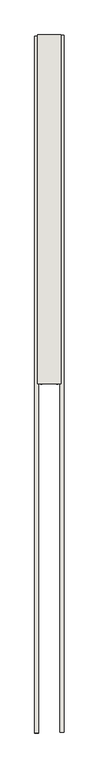
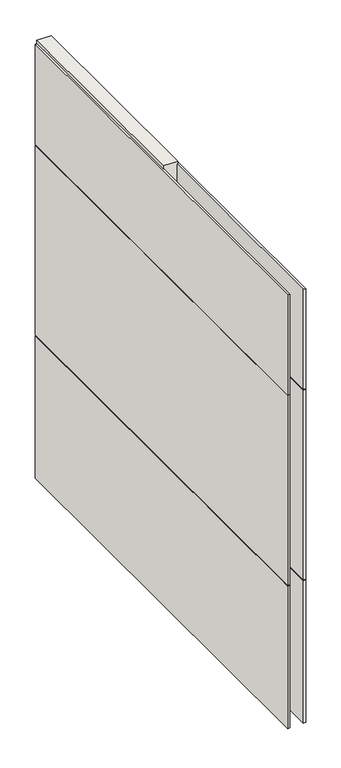
"""IFC4 building model written with IfcOpenShell, lengths in millimetres: wall geometry."""

from ifc_helpers import new_model, si_unit, frame, origin, place, context, project, spatial, polyline, outline, extrude, source, transform, mapped, element, save


def wall_bdd5aab9(model_context):
    return source(origin(), model_context, "Body", "SweptSolid", [
        extrude(outline(polyline([(69318.542211, -44756.7707352), (69318.542211, -44754.2307352), (69321.082211, -44754.2307352), (69321.082211, -44756.7707352), (69318.542211, -44756.7707352)])), frame((0.0, 0.0, 4419.6), z_axis=(0.0, 0.0, 1.0), x_axis=(1.0, 0.0, 0.0)), (0.0, 0.0, 1.0), 2.54),
        extrude(outline(polyline([(69370.612211, -44756.2334363), (69370.612211, -47181.6338433), (69357.912211, -47181.6338433), (69357.912211, -44756.2334363), (69370.612211, -44756.2334363)])), frame((0.0, 0.0, 6402.8000722), z_axis=(0.0, 0.0, 1.0), x_axis=(1.0, 0.0, 0.0)), (0.0, 0.0, 1.0), 587.2498034),
        extrude(outline(polyline([(69370.612211, -44756.2334363), (69370.612211, -47181.6338433), (69357.912211, -47181.6338433), (69357.912211, -44756.2334363), (69370.612211, -44756.2334363)])), frame((0.0, 0.0, 5285.2000722), z_axis=(0.0, 0.0, 1.0), x_axis=(1.0, 0.0, 0.0)), (0.0, 0.0, 1.0), 1113.5999572),
        extrude(outline(polyline([(69370.612211, -44756.2334363), (69370.612211, -47181.6338433), (69357.912211, -47181.6338433), (69357.912211, -44756.2334363), (69370.612211, -44756.2334363)])), frame((0.0, 0.0, 4445.0), z_axis=(0.0, 0.0, 1.0), x_axis=(1.0, 0.0, 0.0)), (0.0, 0.0, 1.0), 836.200004),
        extrude(outline(polyline([(69269.012211, -47184.0957129), (69269.012211, -44758.6953059), (69281.712211, -44758.6953059), (69281.712211, -47184.0957129), (69269.012211, -47184.0957129)])), frame((0.0, 0.0, 6402.8000722), z_axis=(0.0, 0.0, 1.0), x_axis=(1.0, 0.0, 0.0)), (0.0, 0.0, 1.0), 587.2498034),
        extrude(outline(polyline([(69269.012211, -47184.0957129), (69269.012211, -44758.6953059), (69281.712211, -44758.6953059), (69281.712211, -47184.0957129), (69269.012211, -47184.0957129)])), frame((0.0, 0.0, 5285.2000722), z_axis=(0.0, 0.0, 1.0), x_axis=(1.0, 0.0, 0.0)), (0.0, 0.0, 1.0), 1113.5999572),
        extrude(outline(polyline([(69269.012211, -47184.0957129), (69269.012211, -44758.6953059), (69281.712211, -44758.6953059), (69281.712211, -47184.0957129), (69269.012211, -47184.0957129)])), frame((0.0, 0.0, 4445.0), z_axis=(0.0, 0.0, 1.0), x_axis=(1.0, 0.0, 0.0)), (0.0, 0.0, 1.0), 836.200004),
        extrude(outline(polyline([(69344.8959556, -45968.946035), (69344.8959556, -44754.2418858), (69349.974711, -44754.2418858), (69349.974711, -45968.946035), (69344.8959556, -45968.946035)])), frame((0.0, 0.0, 4418.6602), z_axis=(0.0, 0.0, 1.0), x_axis=(1.0, 0.0, 0.0)), (0.0, 0.0, 1.0), 47.625),
        extrude(outline(polyline([(69344.8959556, -45968.946035), (69344.8959556, -44754.2418858), (69349.974711, -44754.2418858), (69349.974711, -45968.946035), (69344.8959556, -45968.946035)])), frame((0.0, 0.0, 4418.6602), z_axis=(0.0, 0.0, 1.0), x_axis=(1.0, 0.0, 0.0)), (0.0, 0.0, 1.0), 47.625),
        extrude(outline(polyline([(69294.7284664, -44754.2418858), (69294.7284664, -45968.946035), (69289.649711, -45968.946035), (69289.649711, -44754.2418858), (69294.7284664, -44754.2418858)])), frame((0.0, 0.0, 4418.6602), z_axis=(0.0, 0.0, 1.0), x_axis=(1.0, 0.0, 0.0)), (0.0, 0.0, 1.0), 47.625),
        extrude(outline(polyline([(69294.7284664, -44754.2418858), (69294.7284664, -45968.946035), (69289.649711, -45968.946035), (69289.649711, -44754.2418858), (69294.7284664, -44754.2418858)])), frame((0.0, 0.0, 4418.6602), z_axis=(0.0, 0.0, 1.0), x_axis=(1.0, 0.0, 0.0)), (0.0, 0.0, 1.0), 47.625),
        extrude(outline(polyline([(69360.4670954, -45968.9212446), (69279.1573266, -45968.9212446), (69279.1573266, -44754.2418858), (69360.4670954, -44754.2418858), (69360.4670954, -45968.9212446)])), frame((0.0, 0.0, 4445.0), z_axis=(0.0, 0.0, 1.0), x_axis=(1.0, 0.0, 0.0)), (0.0, 0.0, 1.0), 2562.4536762),
    ])


if __name__ == "__main__":
    model = new_model("IFC4")
    model_context = context("Model", 3, world=origin())
    ifc_project = project(units=[si_unit("LENGTHUNIT", "METRE", prefix="MILLI")], contexts=[model_context])
    site = spatial("IfcSite", under=ifc_project)
    building = spatial("IfcBuilding", under=site)
    placement = place(None, origin())
    wall_shape = wall_bdd5aab9(model_context)
    element("IfcWall", 1, at=placement, inside=building, context=model_context, shape_type="MappedRepresentation", body=[
        mapped(wall_shape, transform((0.0, 0.0, 0.0), x_axis=(1.0, 0.0, 0.0), y_axis=(0.0, 1.0, 0.0), z_axis=(0.0, 0.0, 1.0))),
    ])
    save(model, "model.ifc")
